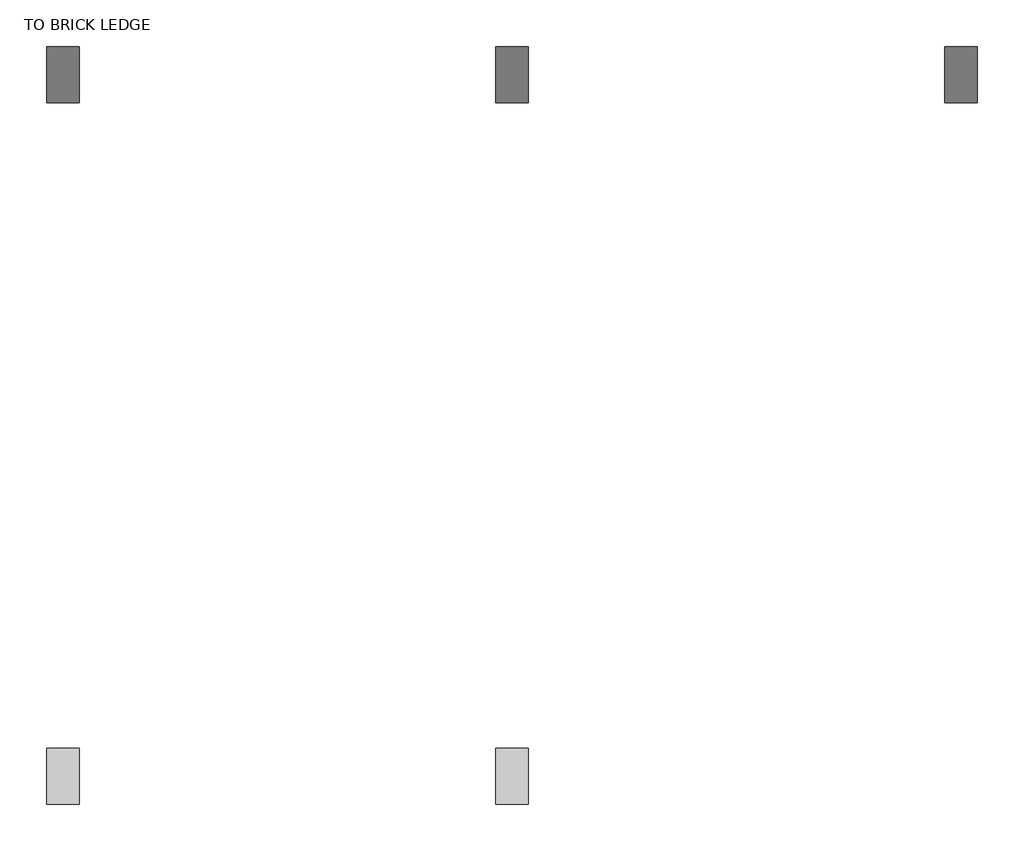
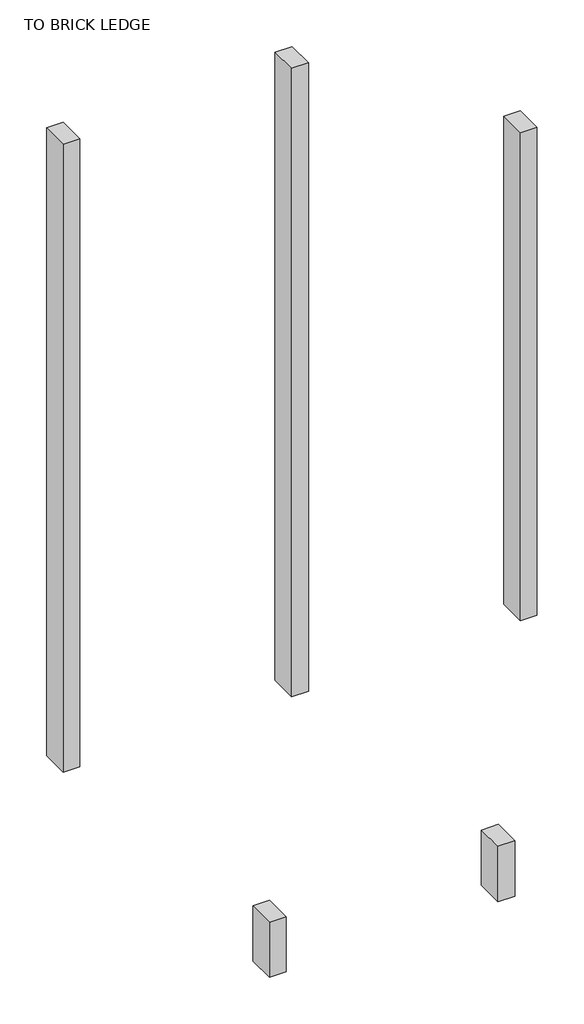
# One storey: 5 proxies.
"""IFC4 building model written with IfcOpenShell, lengths in millimetres."""

import ifcopenshell
import ifcopenshell.guid

model = None  # the IFC model being written
_history = None  # IfcOwnerHistory: only IFC2X3 demands one
_inside = {}  # id of a spatial element -> (the spatial element, [elements in it])
_under = {}  # id of a project, library or spatial element -> (it, [spatial elements below it])
_declared = {}  # id of a project -> (the project, [libraries it declares])
_typed = {}  # id of a type object -> (the type object, [elements of that type])
_made_of = {}  # id of a material, layer set ... -> (it, [elements and type objects made of it])


def new_model(schema):
    """Start an empty IFC model of exactly this schema.

    Asked for "IFC4X3", IfcOpenShell would pick the latest addendum, in which some entities
    have other attributes; the version numbers below select the first issue.
    IFC2X3 requires an IfcOwnerHistory on every rooted entity: one is made here for all.
    """
    global model, _history
    if schema == "IFC4X3":
        model = ifcopenshell.file(schema_version=(4, 3, 0, 0))
    else:
        model = ifcopenshell.file(schema=schema)
    _inside.clear()
    _under.clear()
    _declared.clear()
    _typed.clear()
    _made_of.clear()
    _history = None
    if model.schema == "IFC2X3":
        org = make("IfcOrganization", Name="unknown")
        user = make(
            "IfcPersonAndOrganization",
            ThePerson=make("IfcPerson", FamilyName="unknown"),
            TheOrganization=org,
        )
        app = make(
            "IfcApplication",
            ApplicationDeveloper=org,
            Version="unknown",
            ApplicationFullName="unknown",
            ApplicationIdentifier="unknown",
        )
        _history = make(
            "IfcOwnerHistory",
            OwningUser=user,
            OwningApplication=app,
            ChangeAction="ADDED",
            CreationDate=0,
        )
    return model


def make(cls, **values):
    """One entity of the class cls with the attributes given. An attribute that is None is left unset."""
    return model.create_entity(
        cls, **{name: value for name, value in values.items() if value is not None}
    )


def rooted(cls, **values):
    """An entity with a GlobalId (a new one), such as an element, a storey or a relation."""
    return make(cls, GlobalId=ifcopenshell.guid.new(), OwnerHistory=_history, **values)


def si_unit(unit_type, name, prefix=None):
    """IfcSIUnit, for example si_unit("LENGTHUNIT", "METRE", prefix="MILLI")."""
    return make("IfcSIUnit", UnitType=unit_type, Prefix=prefix, Name=name)


def assignment(units):
    """IfcUnitAssignment: the units of a project."""
    return None if units is None else make("IfcUnitAssignment", Units=units)


def point(xyz):
    """IfcCartesianPoint."""
    return None if xyz is None else make("IfcCartesianPoint", Coordinates=xyz)


def direction(xyz):
    """IfcDirection."""
    return None if xyz is None else make("IfcDirection", DirectionRatios=xyz)


def frame(location, z_axis=None, x_axis=None):
    """IfcAxis2Placement3D, a coordinate frame: its origin and axes. An axis left out is left unset."""
    return make(
        "IfcAxis2Placement3D",
        Location=point(location),
        Axis=direction(z_axis),
        RefDirection=direction(x_axis),
    )


def origin():
    """The frame at (0, 0, 0) with its axes left unset."""
    return frame((0.0, 0.0, 0.0))


def place(relative_to, where):
    """IfcLocalPlacement: puts the frame where relative to a parent placement (None: the world)."""
    return make(
        "IfcLocalPlacement", PlacementRelTo=relative_to, RelativePlacement=where
    )


def context(
    kind, dimensions, precision=None, world=None, true_north=None, identifier=None
):
    """IfcGeometricRepresentationContext, for example the 3D "Model" context."""
    return make(
        "IfcGeometricRepresentationContext",
        ContextIdentifier=identifier,
        ContextType=kind,
        CoordinateSpaceDimension=dimensions,
        Precision=precision,
        WorldCoordinateSystem=world,
        TrueNorth=true_north,
    )


def project(units=None, contexts=None):
    """IfcProject with its units and contexts."""
    return rooted(
        "IfcProject",
        Name="project",
        RepresentationContexts=contexts,
        UnitsInContext=assignment(units),
    )


def spatial(cls, under=None, at=None, **own):
    """A site, building, storey or space (cls), placed at a placement, below another one or the project."""
    s = rooted(cls, ObjectPlacement=at, **own)
    if under is not None:
        _under.setdefault(under.id(), (under, []))[1].append(s)
    return s


def polyline(points):
    """IfcPolyline through the points."""
    return make("IfcPolyline", Points=[point(p) for p in points])


def outline(outer, holes=None, kind="AREA"):
    """IfcArbitraryClosedProfileDef: a profile drawn as a closed curve; with holes, ...WithVoids."""
    if holes is None:
        return make("IfcArbitraryClosedProfileDef", ProfileType=kind, OuterCurve=outer)
    return make(
        "IfcArbitraryProfileDefWithVoids",
        ProfileType=kind,
        OuterCurve=outer,
        InnerCurves=holes,
    )


def extrude(swept, where, along, depth):
    """IfcExtrudedAreaSolid: the profile swept, set in the frame where, extruded along a direction by depth."""
    return make(
        "IfcExtrudedAreaSolid",
        SweptArea=swept,
        Position=where,
        ExtrudedDirection=direction(along),
        Depth=depth,
    )


def shape(context_of_items, identifier, shape_type, items):
    """IfcShapeRepresentation: the items that make up one representation, for example the "Body"."""
    return make(
        "IfcShapeRepresentation",
        ContextOfItems=context_of_items,
        RepresentationIdentifier=identifier,
        RepresentationType=shape_type,
        Items=items,
    )


def source(mapping_origin, context_of_items, identifier, shape_type, items):
    """IfcRepresentationMap: a shape defined once, which mapped items show again and again."""
    return make(
        "IfcRepresentationMap",
        MappingOrigin=mapping_origin,
        MappedRepresentation=shape(context_of_items, identifier, shape_type, items),
    )


def transform(
    local_origin,
    x_axis=None,
    y_axis=None,
    z_axis=None,
    scale=None,
    scale2=None,
    scale3=None,
    uniform=True,
):
    """IfcCartesianTransformationOperator3D, or its non-uniform kind. x_axis, y_axis, z_axis: its Axis1, 2, 3."""
    if uniform:
        return make(
            "IfcCartesianTransformationOperator3D",
            Axis1=direction(x_axis),
            Axis2=direction(y_axis),
            LocalOrigin=point(local_origin),
            Scale=scale,
            Axis3=direction(z_axis),
        )
    return make(
        "IfcCartesianTransformationOperator3DnonUniform",
        Axis1=direction(x_axis),
        Axis2=direction(y_axis),
        LocalOrigin=point(local_origin),
        Scale=scale,
        Axis3=direction(z_axis),
        Scale2=scale2,
        Scale3=scale3,
    )


def mapped(mapping_source, mapping_target):
    """IfcMappedItem: shows the shape of a source again, moved by a transform."""
    return make(
        "IfcMappedItem", MappingSource=mapping_source, MappingTarget=mapping_target
    )


def made_of(thing, what):
    """Note that an element or type object is made of a material, layer set ...; save() writes the relation."""
    if what is not None:
        _made_of.setdefault(what.id(), (what, []))[1].append(thing)
    return thing


def element(
    cls,
    number,
    at=None,
    inside=None,
    cuts=None,
    type_object=None,
    material=None,
    context=None,
    identifier="Body",
    shape_type=None,
    held_by="IfcProductDefinitionShape",
    body=None,
    shapes=None,
    **own,
):
    """One element of the class cls, such as IfcWall. Its Tag is "e" and its number.

    at: its placement. inside: the storey or other place that contains it. cuts: it is an
    opening in that element (IfcRelVoidsElement). A single representation is given by context,
    identifier, shape_type and body (its items); several are given by shapes. held_by: the class
    of the entity that holds the representations. save() writes the other relations.
    """
    e = rooted(cls, Tag="e%d" % number, ObjectPlacement=at, **own)
    if body is not None:
        shapes = [shape(context, identifier, shape_type, body)]
    if shapes is not None:
        e.Representation = make(held_by, Representations=shapes)
    if inside is not None:
        _inside.setdefault(inside.id(), (inside, []))[1].append(e)
    if cuts is not None:
        rooted(
            "IfcRelVoidsElement", RelatingBuildingElement=cuts, RelatedOpeningElement=e
        )
    if type_object is not None:
        _typed.setdefault(type_object.id(), (type_object, []))[1].append(e)
    return made_of(e, material)


def aggregate(whole, parts):
    """IfcRelAggregates: a whole, such as a stair, and the parts it consists of."""
    return rooted("IfcRelAggregates", RelatingObject=whole, RelatedObjects=parts)


def save(model, path):
    """Write the relations noted so far, then the file.

    IfcRelAggregates (storeys below a building ...), IfcRelContainedInSpatialStructure (elements
    in a storey), IfcRelDefinesByType, IfcRelAssociatesMaterial and IfcRelDeclares: one each for
    every whole, place, type object, material and project.
    """
    for whole, parts in _under.values():
        aggregate(whole, parts)
    for where, things in _inside.values():
        rooted(
            "IfcRelContainedInSpatialStructure",
            RelatedElements=things,
            RelatingStructure=where,
        )
    for kind, things in _typed.values():
        rooted("IfcRelDefinesByType", RelatedObjects=things, RelatingType=kind)
    for what, things in _made_of.values():
        rooted("IfcRelAssociatesMaterial", RelatedObjects=things, RelatingMaterial=what)
    for by, libraries in _declared.values():
        rooted("IfcRelDeclares", RelatingContext=by, RelatedDefinitions=libraries)
    model.write(path)


def sign_column1_sign_column_ce83ee86(model_context):
    return source(origin(), model_context, "Body", "SweptSolid", [
        extrude(outline(polyline([(227895.9228488, 156293.3096581), (227895.9228488, 156140.9096581), (227807.0228488, 156140.9096581), (227807.0228488, 156293.3096581), (227895.9228488, 156293.3096581)])), frame((0.0, 0.0, 137.4092564), z_axis=(0.0, 0.0, 1.0), x_axis=(1.0, 0.0, 0.0)), (0.0, 0.0, 1.0), 311.15),
    ])


def sign_column3_sign_column_10f32654(model_context):
    return source(origin(), model_context, "Body", "SweptSolid", [
        extrude(outline(polyline([(227895.9228488, 156293.3096581), (227895.9228488, 156140.9096581), (227807.0228488, 156140.9096581), (227807.0228488, 156293.3096581), (227895.9228488, 156293.3096581)])), frame((0.0, 0.0, 137.4092564), z_axis=(0.0, 0.0, 1.0), x_axis=(1.0, 0.0, 0.0)), (0.0, 0.0, 1.0), 3537.222149),
    ])


def sign_column5_sign_column_2ee7418f(model_context):
    return source(origin(), model_context, "Body", "SweptSolid", [
        extrude(outline(polyline([(227895.9228488, 156293.3096581), (227895.9228488, 156140.9096581), (227807.0228488, 156140.9096581), (227807.0228488, 156293.3096581), (227895.9228488, 156293.3096581)])), frame((0.0, 0.0, 137.4092564), z_axis=(0.0, 0.0, 1.0), x_axis=(1.0, 0.0, 0.0)), (0.0, 0.0, 1.0), 2749.55),
    ])


model = new_model("IFC4")

# Units and contexts
model_context = context("Model", 3, world=origin())
ifc_project = project(units=[si_unit("LENGTHUNIT", "METRE", prefix="MILLI")], contexts=[model_context])

# Site, building, storey
site = spatial("IfcSite", under=ifc_project)
building = spatial("IfcBuilding", under=site)
storey = spatial("IfcBuildingStorey", under=building, Name="TO BRICK LEDGE", Elevation=67.5592564)

# Proxies
placement = place(None, origin())
sign_column1_sign_column_shape = sign_column1_sign_column_ce83ee86(model_context)
element("IfcBuildingElementProxy", 1, Name="Sign Column1 : Sign Column", ObjectType="Sign Column1 : Sign Column", at=placement, inside=storey, context=model_context, shape_type="MappedRepresentation", body=[
    mapped(sign_column1_sign_column_shape, transform((0.0, -482.6, 0.0), x_axis=(1.0, 0.0, 0.0), y_axis=(0.0, 1.0, 0.0), z_axis=(0.0, 0.0, 1.0))),
])
element("IfcBuildingElementProxy", 2, Name="Sign Column2 : Sign Column", ObjectType="Sign Column2 : Sign Column", at=placement, inside=storey, context=model_context, shape_type="MappedRepresentation", body=[
    mapped(sign_column1_sign_column_shape, transform((1219.2, -482.6, 0.0), x_axis=(1.0, 0.0, 0.0), y_axis=(0.0, 1.0, 0.0), z_axis=(0.0, 0.0, 1.0))),
])
sign_column3_sign_column_shape = sign_column3_sign_column_10f32654(model_context)
element("IfcBuildingElementProxy", 3, Name="Sign Column3 : Sign Column", ObjectType="Sign Column3 : Sign Column", at=placement, inside=storey, context=model_context, shape_type="MappedRepresentation", body=[
    mapped(sign_column3_sign_column_shape, transform((0.0, 1422.4, 0.0), x_axis=(1.0, 0.0, 0.0), y_axis=(0.0, 1.0, 0.0), z_axis=(0.0, 0.0, 1.0))),
])
element("IfcBuildingElementProxy", 4, Name="Sign Column4 : Sign Column", ObjectType="Sign Column4 : Sign Column", at=placement, inside=storey, context=model_context, shape_type="MappedRepresentation", body=[
    mapped(sign_column3_sign_column_shape, transform((1219.2, 1422.4, 0.0), x_axis=(1.0, 0.0, 0.0), y_axis=(0.0, 1.0, 0.0), z_axis=(0.0, 0.0, 1.0))),
])
sign_column5_sign_column_shape = sign_column5_sign_column_2ee7418f(model_context)
element("IfcBuildingElementProxy", 5, Name="Sign Column5 : Sign Column", ObjectType="Sign Column5 : Sign Column", at=placement, inside=storey, context=model_context, shape_type="MappedRepresentation", body=[
    mapped(sign_column5_sign_column_shape, transform((2438.4, 1422.4, 0.0), x_axis=(1.0, 0.0, 0.0), y_axis=(0.0, 1.0, 0.0), z_axis=(0.0, 0.0, 1.0))),
])

save(model, "model.ifc")
